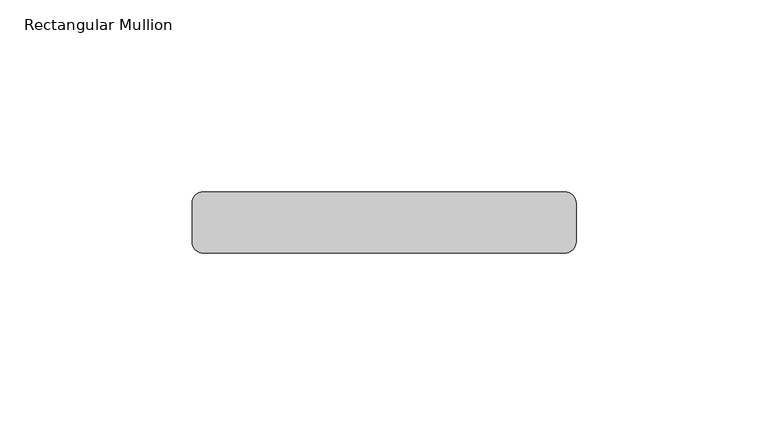
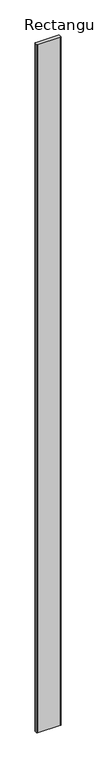
"""IFC4 building model written with IfcOpenShell, lengths in millimetres: member geometry, Rectangular Mullion."""

from ifc_helpers import new_model, si_unit, point, frame, frame_2d, origin, place, context, project, spatial, polyline, circle_curve, trimmed, segment, composite_curve, outline, extrude, source, transform, mapped, element, save


def rectangular_mullion_d02bda41(model_context):
    return source(origin(), model_context, "Body", "SweptSolid", [
        extrude(outline(composite_curve([segment(polyline([(47.0, -16.0), (-47.0, -16.0)]), True, "CONTINUOUS"), segment(trimmed(circle_curve(frame_2d((-47.0, -13.0)), 3.0), [point((-47.0, -16.0))], [point((-50.0, -13.0))], False, "CARTESIAN"), True, "CONTINUOUS"), segment(polyline([(-50.0, -13.0), (-50.0, -3.0)]), True, "CONTINUOUS"), segment(trimmed(circle_curve(frame_2d((-47.0, -3.0)), 3.0), [point((-50.0, -3.0))], [point((-47.0, 0.0))], False, "CARTESIAN"), True, "CONTINUOUS"), segment(polyline([(-47.0, 0.0), (47.0, 0.0)]), True, "CONTINUOUS"), segment(trimmed(circle_curve(frame_2d((47.0, -3.0)), 3.0), [point((47.0, 0.0))], [point((50.0, -3.0))], False, "CARTESIAN"), True, "CONTINUOUS"), segment(polyline([(50.0, -3.0), (50.0, -13.0)]), True, "CONTINUOUS"), segment(trimmed(circle_curve(frame_2d((47.0, -13.0)), 3.0), [point((50.0, -13.0))], [point((47.0, -16.0))], False, "CARTESIAN"), True, "CONTINUOUS")], self_intersect=False)), frame((0.0, 0.0, -3000.0), z_axis=(0.0, 0.0, 1.0), x_axis=(1.0, 0.0, 0.0)), (0.0, 0.0, 1.0), 3000.0),
    ])


if __name__ == "__main__":
    model = new_model("IFC4")
    model_context = context("Model", 3, world=origin())
    ifc_project = project(units=[si_unit("LENGTHUNIT", "METRE", prefix="MILLI")], contexts=[model_context])
    site = spatial("IfcSite", under=ifc_project)
    building = spatial("IfcBuilding", under=site)
    placement = place(None, origin())
    rectangular_mullion_shape = rectangular_mullion_d02bda41(model_context)
    element("IfcMember", 1, ObjectType="Rectangular Mullion", at=placement, inside=building, context=model_context, shape_type="MappedRepresentation", body=[
        mapped(rectangular_mullion_shape, transform((0.0, 0.0, 0.0), x_axis=(1.0, 0.0, 0.0), y_axis=(0.0, 1.0, 0.0), z_axis=(0.0, 0.0, 1.0))),
    ])
    save(model, "model.ifc")
